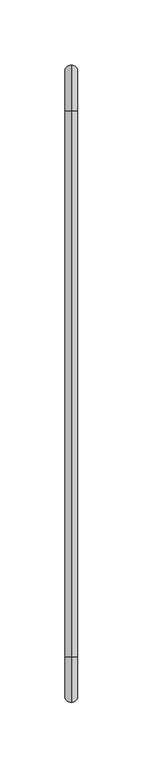
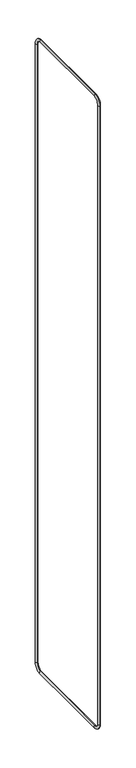
"""IFC4 building model written with IfcOpenShell, lengths in millimetres: beam geometry."""

from ifc_helpers import new_model, si_unit, point, frame, origin, place, context, project, spatial, circle_curve, ellipse_curve, trimmed, source, transform, mapped, element, save
from ifc_brep_helpers import cylinder_surface, revolved_surface, advanced_brep


def beam_d71c93a9(model_context):
    return source(origin(), model_context, "Body", "AdvancedBrep", [
        advanced_brep(
        [(0.0, -30.0, 2982.5), (0.0, 5.0, 2947.5), (0.0, -5.0, 2947.5), (0.0, -30.0, 2972.5), (0.0, -450.0, 2972.5), (0.0, -450.0, 2982.5), (0.0, -485.0, 2947.5), (0.0, -475.0, 2947.5), (0.0, -475.0, 37.5), (0.0, -485.0, 37.5), (0.0, -450.0, 2.5), (0.0, -450.0, 12.5), (0.0, -30.0, 12.5), (0.0, -30.0, 2.5), (0.0, 5.0, 37.5), (0.0, -5.0, 37.5)],
        [
            (0, 1, circle_curve(frame((0.0, -30.0, 2947.5), z_axis=(-1.0, 0.0, 0.0), x_axis=(0.0, 1.0, 0.0)), 35.0)),
            (1, 2, circle_curve(frame((0.0, 0.0, 2947.5), z_axis=(0.0, 0.0, 1.0), x_axis=(0.0, -1.0, 0.0)), 5.0)),
            (2, 3, circle_curve(frame((0.0, -30.0, 2947.5), z_axis=(1.0, 0.0, 0.0), x_axis=(0.0, 1.0, 0.0)), 25.0)),
            (3, 0, circle_curve(frame((0.0, -30.0, 2977.5), z_axis=(0.0, 1.0, 0.0), x_axis=(0.0, 0.0, -1.0)), 5.0)),
            (2, 1, circle_curve(frame((0.0, 0.0, 2947.5), z_axis=(0.0, 0.0, 1.0), x_axis=(0.0, -1.0, 0.0)), 5.0)),
            (0, 3, circle_curve(frame((0.0, -30.0, 2977.5), z_axis=(0.0, 1.0, 0.0), x_axis=(0.0, 0.0, -1.0)), 5.0)),
            (3, 4),
            (4, 5, circle_curve(frame((0.0, -450.0, 2977.5), z_axis=(0.0, 1.0, 0.0), x_axis=(0.0, 0.0, -1.0)), 5.0)),
            (5, 0),
            (5, 4, circle_curve(frame((0.0, -450.0, 2977.5), z_axis=(0.0, 1.0, 0.0), x_axis=(0.0, 0.0, -1.0)), 5.0)),
            (6, 5, circle_curve(frame((0.0, -450.0, 2947.5), z_axis=(-1.0, 0.0, 0.0), x_axis=(0.0, 0.0, 1.0)), 35.0)),
            (4, 7, circle_curve(frame((0.0, -450.0, 2947.5), z_axis=(1.0, 0.0, 0.0), x_axis=(0.0, 0.0, 1.0)), 25.0)),
            (7, 6, circle_curve(frame((0.0, -480.0, 2947.5), z_axis=(0.0, 0.0, 1.0), x_axis=(0.0, 1.0, 0.0)), 5.0)),
            (6, 7, circle_curve(frame((0.0, -480.0, 2947.5), z_axis=(0.0, 0.0, 1.0), x_axis=(0.0, 1.0, 0.0)), 5.0)),
            (7, 8),
            (8, 9, circle_curve(frame((0.0, -480.0, 37.5), z_axis=(0.0, 0.0, 1.0), x_axis=(0.0, 1.0, 0.0)), 5.0)),
            (9, 6),
            (9, 8, circle_curve(frame((0.0, -480.0, 37.5), z_axis=(0.0, 0.0, 1.0), x_axis=(0.0, 1.0, 0.0)), 5.0)),
            (10, 9, circle_curve(frame((0.0, -450.0, 37.5), z_axis=(-1.0, 0.0, 0.0), x_axis=(0.0, -1.0, 0.0)), 35.0)),
            (8, 11, circle_curve(frame((0.0, -450.0, 37.5), z_axis=(1.0, 0.0, 0.0), x_axis=(0.0, -1.0, 0.0)), 25.0)),
            (11, 10, circle_curve(frame((0.0, -450.0, 7.5), z_axis=(0.0, -1.0, 0.0), x_axis=(0.0, 0.0, 1.0)), 5.0)),
            (10, 11, circle_curve(frame((0.0, -450.0, 7.5), z_axis=(0.0, -1.0, 0.0), x_axis=(0.0, 0.0, 1.0)), 5.0)),
            (11, 12),
            (12, 13, circle_curve(frame((0.0, -30.0, 7.5), z_axis=(0.0, -1.0, 0.0), x_axis=(0.0, 0.0, 1.0)), 5.0)),
            (13, 10),
            (13, 12, circle_curve(frame((0.0, -30.0, 7.5), z_axis=(0.0, -1.0, 0.0), x_axis=(0.0, 0.0, 1.0)), 5.0)),
            (14, 13, circle_curve(frame((0.0, -30.0, 37.5), z_axis=(-1.0, 0.0, 0.0), x_axis=(0.0, 0.0, -1.0)), 35.0)),
            (12, 15, circle_curve(frame((0.0, -30.0, 37.5), z_axis=(1.0, 0.0, 0.0), x_axis=(0.0, 0.0, -1.0)), 25.0)),
            (15, 14, circle_curve(frame((0.0, 0.0, 37.5), z_axis=(0.0, 0.0, -1.0), x_axis=(0.0, -1.0, 0.0)), 5.0)),
            (14, 15, circle_curve(frame((0.0, 0.0, 37.5), z_axis=(0.0, 0.0, -1.0), x_axis=(0.0, -1.0, 0.0)), 5.0)),
            (15, 2),
            (1, 14),
        ],
        [
            revolved_surface(trimmed(ellipse_curve(frame((0.0, 0.0, 2947.5), z_axis=(0.0, 0.0, -1.0), x_axis=(0.0, -1.0, 0.0)), 5.0, 5.0), [point((0.0, -5.0, 2947.5))], [point((0.0, 5.0, 2947.5))], True, "CARTESIAN"), (0.0, -30.0, 2947.5), (1.0, 0.0, 0.0)),
            revolved_surface(trimmed(ellipse_curve(frame((0.0, 0.0, 2947.5), z_axis=(0.0, 0.0, -1.0), x_axis=(0.0, -1.0, 0.0)), 5.0, 5.0), [point((0.0, 5.0, 2947.5))], [point((0.0, -5.0, 2947.5))], True, "CARTESIAN"), (0.0, -30.0, 2947.5), (1.0, 0.0, 0.0)),
            cylinder_surface(frame((0.0, -30.0, 2977.5), z_axis=(0.0, 1.0, 0.0), x_axis=(0.0, 0.0, -1.0)), 5.0),
            revolved_surface(trimmed(ellipse_curve(frame((0.0, -450.0, 2977.5), z_axis=(0.0, 1.0, 0.0), x_axis=(0.0, 0.0, -1.0)), 5.0, 5.0), [point((0.0, -450.0, 2972.5))], [point((0.0, -450.0, 2982.5))], True, "CARTESIAN"), (0.0, -450.0, 2947.5), (1.0, 0.0, 0.0)),
            revolved_surface(trimmed(ellipse_curve(frame((0.0, -450.0, 2977.5), z_axis=(0.0, 1.0, 0.0), x_axis=(0.0, 0.0, -1.0)), 5.0, 5.0), [point((0.0, -450.0, 2982.5))], [point((0.0, -450.0, 2972.5))], True, "CARTESIAN"), (0.0, -450.0, 2947.5), (1.0, 0.0, 0.0)),
            cylinder_surface(frame((0.0, -480.0, 2947.5), z_axis=(0.0, 0.0, 1.0), x_axis=(0.0, 1.0, 0.0)), 5.0),
            revolved_surface(trimmed(ellipse_curve(frame((0.0, -480.0, 37.5), z_axis=(0.0, 0.0, 1.0), x_axis=(0.0, 1.0, 0.0)), 5.0, 5.0), [point((0.0, -475.0, 37.5))], [point((0.0, -485.0, 37.5))], True, "CARTESIAN"), (0.0, -450.0, 37.5), (1.0, 0.0, 0.0)),
            revolved_surface(trimmed(ellipse_curve(frame((0.0, -480.0, 37.5), z_axis=(0.0, 0.0, 1.0), x_axis=(0.0, 1.0, 0.0)), 5.0, 5.0), [point((0.0, -485.0, 37.5))], [point((0.0, -475.0, 37.5))], True, "CARTESIAN"), (0.0, -450.0, 37.5), (1.0, 0.0, 0.0)),
            cylinder_surface(frame((0.0, -450.0, 7.5), z_axis=(0.0, -1.0, 0.0), x_axis=(0.0, 0.0, 1.0)), 5.0),
            revolved_surface(trimmed(ellipse_curve(frame((0.0, -30.0, 7.5), z_axis=(0.0, -1.0, 0.0), x_axis=(0.0, 0.0, 1.0)), 5.0, 5.0), [point((0.0, -30.0, 12.5))], [point((0.0, -30.0, 2.5))], True, "CARTESIAN"), (0.0, -30.0, 37.5), (1.0, 0.0, 0.0)),
            revolved_surface(trimmed(ellipse_curve(frame((0.0, -30.0, 7.5), z_axis=(0.0, -1.0, 0.0), x_axis=(0.0, 0.0, 1.0)), 5.0, 5.0), [point((0.0, -30.0, 2.5))], [point((0.0, -30.0, 12.5))], True, "CARTESIAN"), (0.0, -30.0, 37.5), (1.0, 0.0, 0.0)),
            cylinder_surface(frame((0.0, 0.0, 37.5), z_axis=(0.0, 0.0, -1.0), x_axis=(0.0, -1.0, 0.0)), 5.0),
        ],
        [
            (0, [[1, 2, 3, 4]]),
            (1, [[-3, 5, -1, 6]]),
            (2, [[-4, 7, 8, 9]]),
            (2, [[-6, -9, 10, -7]]),
            (3, [[11, -8, 12, 13]]),
            (4, [[-12, -10, -11, 14]]),
            (5, [[-13, 15, 16, 17]]),
            (5, [[-14, -17, 18, -15]]),
            (6, [[19, -16, 20, 21]]),
            (7, [[-20, -18, -19, 22]]),
            (8, [[-21, 23, 24, 25]]),
            (8, [[-22, -25, 26, -23]]),
            (9, [[27, -24, 28, 29]]),
            (10, [[-28, -26, -27, 30]]),
            (11, [[-29, 31, -2, 32]]),
            (11, [[-30, -32, -5, -31]]),
        ],
    ),
    ])


if __name__ == "__main__":
    model = new_model("IFC4")
    model_context = context("Model", 3, world=origin())
    ifc_project = project(units=[si_unit("LENGTHUNIT", "METRE", prefix="MILLI")], contexts=[model_context])
    site = spatial("IfcSite", under=ifc_project)
    building = spatial("IfcBuilding", under=site)
    placement = place(None, origin())
    beam_shape = beam_d71c93a9(model_context)
    element("IfcBeam", 1, at=placement, inside=building, context=model_context, shape_type="MappedRepresentation", body=[
        mapped(beam_shape, transform((0.0, 0.0, 0.0), x_axis=(1.0, 0.0, 0.0), y_axis=(0.0, 1.0, 0.0), z_axis=(0.0, 0.0, 1.0))),
    ])
    save(model, "model.ifc")
